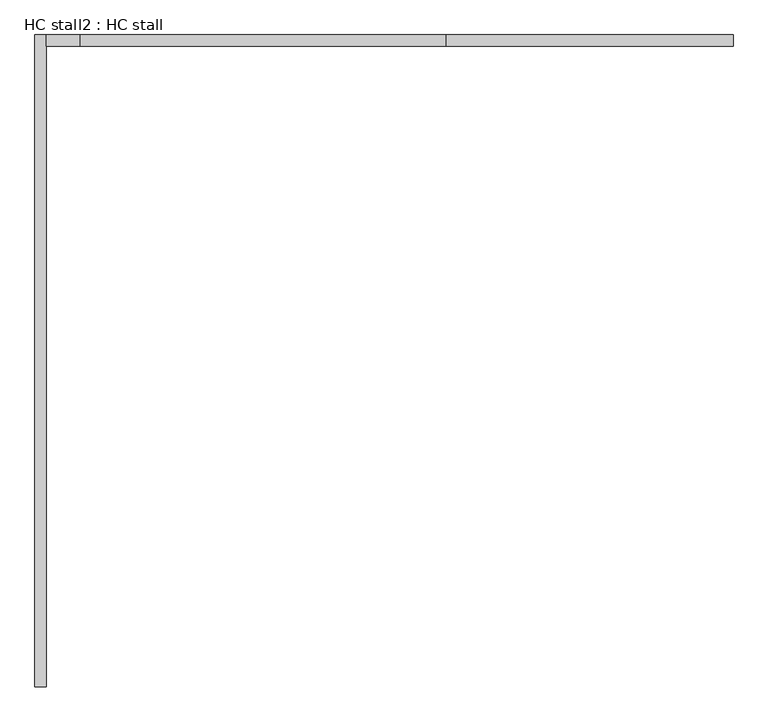
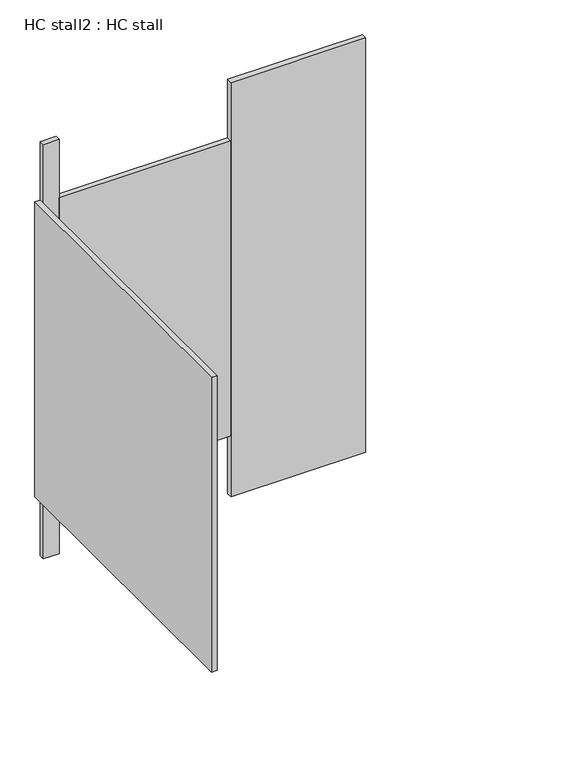
"""IFC4 building model written with IfcOpenShell, lengths in millimetres: proxy geometry, HC stall2 : HC stall."""

from ifc_helpers import new_model, si_unit, frame, origin, origin_with_axes, place, context, project, spatial, polyline, outline, extrude, source, transform, mapped, element, save


def hc_stall2_hc_stall_96ba2c57(model_context):
    return source(origin(), model_context, "Body", "SweptSolid", [
        extrude(outline(polyline([(469521.5397068, -352832.2080223), (469521.5397068, -351384.5355592), (469546.9397068, -351384.5355592), (469546.9397068, -352832.2080223), (469521.5397068, -352832.2080223)])), frame((0.0, 0.0, 304.8), z_axis=(0.0, 0.0, 1.0), x_axis=(1.0, 0.0, 0.0)), (0.0, 0.0, 1.0), 1473.2),
        extrude(outline(polyline([(470434.3522068, -351409.8080223), (470434.3522068, -351384.4080223), (471070.9397068, -351384.4080223), (471070.9397068, -351409.8080223), (470434.3522068, -351409.8080223)])), origin_with_axes(), (0.0, 0.0, 1.0), 2070.1),
        extrude(outline(polyline([(469546.9397068, -351409.8080223), (469546.9397068, -351384.4080223), (469621.5522068, -351384.4080223), (469621.5522068, -351409.8080223), (469546.9397068, -351409.8080223)])), origin_with_axes(), (0.0, 0.0, 1.0), 2070.1),
        extrude(outline(polyline([(469621.5522068, -351409.8080223), (469621.5522068, -351384.4080223), (470434.3522068, -351384.4080223), (470434.3522068, -351409.8080223), (469621.5522068, -351409.8080223)])), frame((0.0, 0.0, 304.8), z_axis=(0.0, 0.0, 1.0), x_axis=(1.0, 0.0, 0.0)), (0.0, 0.0, 1.0), 1473.2),
    ])


if __name__ == "__main__":
    model = new_model("IFC4")
    model_context = context("Model", 3, world=origin())
    ifc_project = project(units=[si_unit("LENGTHUNIT", "METRE", prefix="MILLI")], contexts=[model_context])
    site = spatial("IfcSite", under=ifc_project)
    building = spatial("IfcBuilding", under=site)
    placement = place(None, origin())
    hc_stall2_hc_stall_shape = hc_stall2_hc_stall_96ba2c57(model_context)
    element("IfcBuildingElementProxy", 1, Name="HC stall2 : HC stall", ObjectType="HC stall2 : HC stall", at=placement, inside=building, context=model_context, shape_type="MappedRepresentation", body=[
        mapped(hc_stall2_hc_stall_shape, transform((0.0, 0.0, 0.0), x_axis=(1.0, 0.0, 0.0), y_axis=(0.0, 1.0, 0.0), z_axis=(0.0, 0.0, 1.0))),
    ])
    save(model, "model.ifc")
